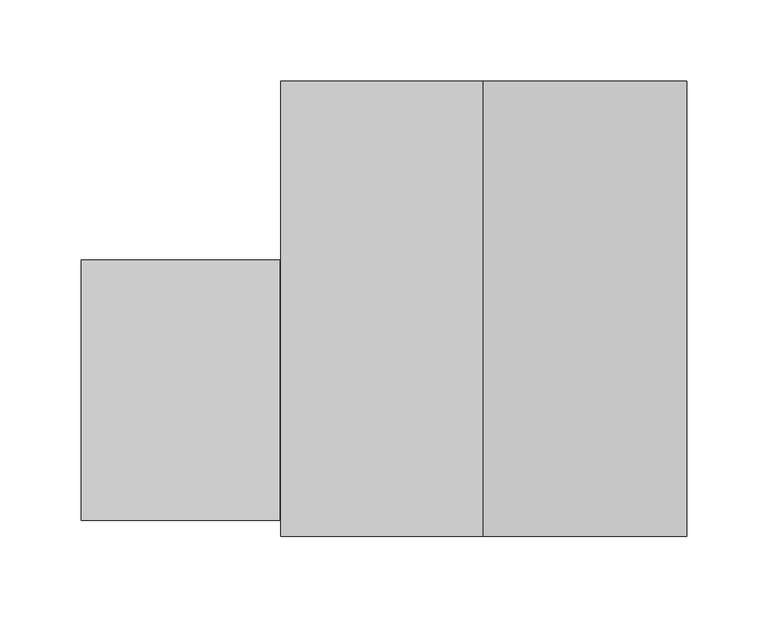
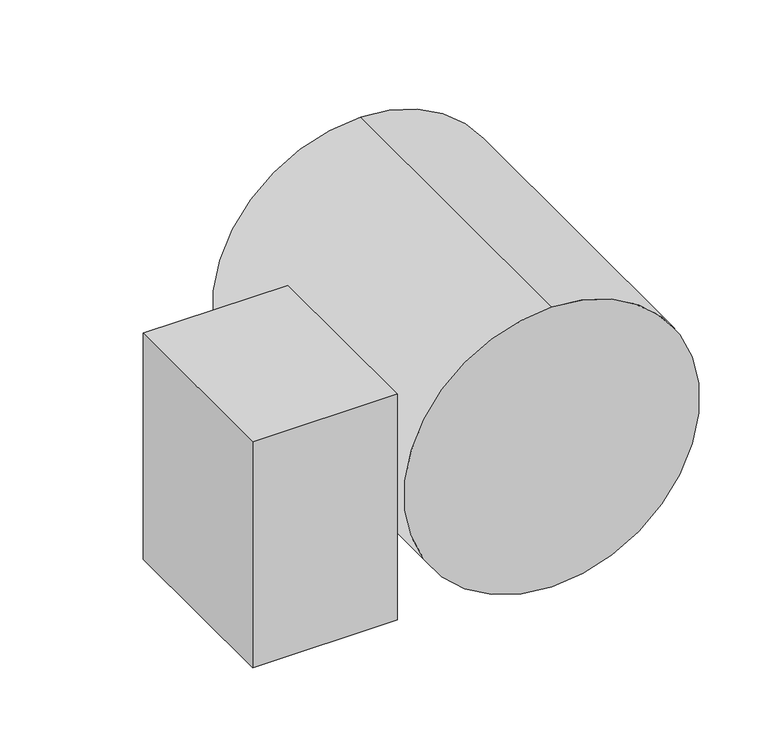
"""IFC4 building model written with IfcOpenShell, lengths in millimetres: proxy geometry."""

from ifc_helpers import new_model, si_unit, point, frame, frame_2d, origin, place, context, project, spatial, polyline, circle_curve, trimmed, segment, composite_curve, outline, extrude, source, transform, mapped, element, save


def generic_models_f0b2365f(model_context):
    return source(origin(), model_context, "Body", "SweptSolid", [
        extrude(outline(composite_curve([segment(trimmed(circle_curve(frame_2d((11510.0, 25195.9632723)), 125.0), [point((11385.0, 25195.9632723))], [point((11635.0, 25195.9632723))], False, "CARTESIAN"), True, "CONTINUOUS"), segment(trimmed(circle_curve(frame_2d((11510.0, 25195.9632723)), 125.0), [point((11635.0, 25195.9632723))], [point((11385.0, 25195.9632723))], False, "CARTESIAN"), True, "CONTINUOUS")], self_intersect=False)), frame((0.0, -70082.4616422, 0.0), z_axis=(0.0, 1.0, 0.0), x_axis=(0.0, 0.0, 1.0)), (0.0, 0.0, 1.0), 280.0),
        extrude(outline(polyline([(24948.9632723, -70072.4616422), (24948.9632723, -69912.4616422), (25070.9632723, -69912.4616422), (25070.9632723, -70072.4616422), (24948.9632723, -70072.4616422)])), frame((0.0, 0.0, 11393.0), z_axis=(0.0, 0.0, 1.0), x_axis=(1.0, 0.0, 0.0)), (0.0, 0.0, 1.0), 202.0),
    ])


if __name__ == "__main__":
    model = new_model("IFC4")
    model_context = context("Model", 3, world=origin())
    ifc_project = project(units=[si_unit("LENGTHUNIT", "METRE", prefix="MILLI")], contexts=[model_context])
    site = spatial("IfcSite", under=ifc_project)
    building = spatial("IfcBuilding", under=site)
    placement = place(None, origin())
    generic_models_shape = generic_models_f0b2365f(model_context)
    element("IfcBuildingElementProxy", 1, Name="Generic Models", at=placement, inside=building, context=model_context, shape_type="MappedRepresentation", body=[
        mapped(generic_models_shape, transform((0.0, 0.0, 0.0), x_axis=(1.0, 0.0, 0.0), y_axis=(0.0, 1.0, 0.0), z_axis=(0.0, 0.0, 1.0))),
    ])
    save(model, "model.ifc")
